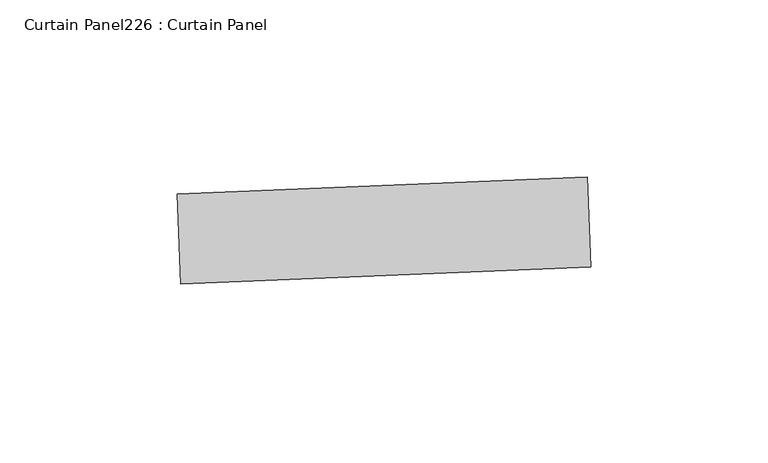
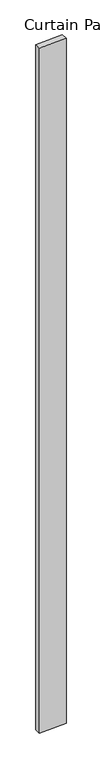
"""IFC4 building model written with IfcOpenShell, lengths in millimetres: plate geometry, Curtain Panel226 : Curtain Panel."""

import ifcopenshell
import ifcopenshell.guid

model = None  # the IFC model being written
_history = None  # IfcOwnerHistory: only IFC2X3 demands one
_inside = {}  # id of a spatial element -> (the spatial element, [elements in it])
_under = {}  # id of a project, library or spatial element -> (it, [spatial elements below it])
_declared = {}  # id of a project -> (the project, [libraries it declares])
_typed = {}  # id of a type object -> (the type object, [elements of that type])
_made_of = {}  # id of a material, layer set ... -> (it, [elements and type objects made of it])


def new_model(schema):
    """Start an empty IFC model of exactly this schema.

    Asked for "IFC4X3", IfcOpenShell would pick the latest addendum, in which some entities
    have other attributes; the version numbers below select the first issue.
    IFC2X3 requires an IfcOwnerHistory on every rooted entity: one is made here for all.
    """
    global model, _history
    if schema == "IFC4X3":
        model = ifcopenshell.file(schema_version=(4, 3, 0, 0))
    else:
        model = ifcopenshell.file(schema=schema)
    _inside.clear()
    _under.clear()
    _declared.clear()
    _typed.clear()
    _made_of.clear()
    _history = None
    if model.schema == "IFC2X3":
        org = make("IfcOrganization", Name="unknown")
        user = make(
            "IfcPersonAndOrganization",
            ThePerson=make("IfcPerson", FamilyName="unknown"),
            TheOrganization=org,
        )
        app = make(
            "IfcApplication",
            ApplicationDeveloper=org,
            Version="unknown",
            ApplicationFullName="unknown",
            ApplicationIdentifier="unknown",
        )
        _history = make(
            "IfcOwnerHistory",
            OwningUser=user,
            OwningApplication=app,
            ChangeAction="ADDED",
            CreationDate=0,
        )
    return model


def make(cls, **values):
    """One entity of the class cls with the attributes given. An attribute that is None is left unset."""
    return model.create_entity(
        cls, **{name: value for name, value in values.items() if value is not None}
    )


def rooted(cls, **values):
    """An entity with a GlobalId (a new one), such as an element, a storey or a relation."""
    return make(cls, GlobalId=ifcopenshell.guid.new(), OwnerHistory=_history, **values)


def si_unit(unit_type, name, prefix=None):
    """IfcSIUnit, for example si_unit("LENGTHUNIT", "METRE", prefix="MILLI")."""
    return make("IfcSIUnit", UnitType=unit_type, Prefix=prefix, Name=name)


def assignment(units):
    """IfcUnitAssignment: the units of a project."""
    return None if units is None else make("IfcUnitAssignment", Units=units)


def point(xyz):
    """IfcCartesianPoint."""
    return None if xyz is None else make("IfcCartesianPoint", Coordinates=xyz)


def direction(xyz):
    """IfcDirection."""
    return None if xyz is None else make("IfcDirection", DirectionRatios=xyz)


def frame(location, z_axis=None, x_axis=None):
    """IfcAxis2Placement3D, a coordinate frame: its origin and axes. An axis left out is left unset."""
    return make(
        "IfcAxis2Placement3D",
        Location=point(location),
        Axis=direction(z_axis),
        RefDirection=direction(x_axis),
    )


def origin():
    """The frame at (0, 0, 0) with its axes left unset."""
    return frame((0.0, 0.0, 0.0))


def place(relative_to, where):
    """IfcLocalPlacement: puts the frame where relative to a parent placement (None: the world)."""
    return make(
        "IfcLocalPlacement", PlacementRelTo=relative_to, RelativePlacement=where
    )


def context(
    kind, dimensions, precision=None, world=None, true_north=None, identifier=None
):
    """IfcGeometricRepresentationContext, for example the 3D "Model" context."""
    return make(
        "IfcGeometricRepresentationContext",
        ContextIdentifier=identifier,
        ContextType=kind,
        CoordinateSpaceDimension=dimensions,
        Precision=precision,
        WorldCoordinateSystem=world,
        TrueNorth=true_north,
    )


def project(units=None, contexts=None):
    """IfcProject with its units and contexts."""
    return rooted(
        "IfcProject",
        Name="project",
        RepresentationContexts=contexts,
        UnitsInContext=assignment(units),
    )


def spatial(cls, under=None, at=None, **own):
    """A site, building, storey or space (cls), placed at a placement, below another one or the project."""
    s = rooted(cls, ObjectPlacement=at, **own)
    if under is not None:
        _under.setdefault(under.id(), (under, []))[1].append(s)
    return s


def polyline(points):
    """IfcPolyline through the points."""
    return make("IfcPolyline", Points=[point(p) for p in points])


def outline(outer, holes=None, kind="AREA"):
    """IfcArbitraryClosedProfileDef: a profile drawn as a closed curve; with holes, ...WithVoids."""
    if holes is None:
        return make("IfcArbitraryClosedProfileDef", ProfileType=kind, OuterCurve=outer)
    return make(
        "IfcArbitraryProfileDefWithVoids",
        ProfileType=kind,
        OuterCurve=outer,
        InnerCurves=holes,
    )


def extrude(swept, where, along, depth):
    """IfcExtrudedAreaSolid: the profile swept, set in the frame where, extruded along a direction by depth."""
    return make(
        "IfcExtrudedAreaSolid",
        SweptArea=swept,
        Position=where,
        ExtrudedDirection=direction(along),
        Depth=depth,
    )


def shape(context_of_items, identifier, shape_type, items):
    """IfcShapeRepresentation: the items that make up one representation, for example the "Body"."""
    return make(
        "IfcShapeRepresentation",
        ContextOfItems=context_of_items,
        RepresentationIdentifier=identifier,
        RepresentationType=shape_type,
        Items=items,
    )


def source(mapping_origin, context_of_items, identifier, shape_type, items):
    """IfcRepresentationMap: a shape defined once, which mapped items show again and again."""
    return make(
        "IfcRepresentationMap",
        MappingOrigin=mapping_origin,
        MappedRepresentation=shape(context_of_items, identifier, shape_type, items),
    )


def transform(
    local_origin,
    x_axis=None,
    y_axis=None,
    z_axis=None,
    scale=None,
    scale2=None,
    scale3=None,
    uniform=True,
):
    """IfcCartesianTransformationOperator3D, or its non-uniform kind. x_axis, y_axis, z_axis: its Axis1, 2, 3."""
    if uniform:
        return make(
            "IfcCartesianTransformationOperator3D",
            Axis1=direction(x_axis),
            Axis2=direction(y_axis),
            LocalOrigin=point(local_origin),
            Scale=scale,
            Axis3=direction(z_axis),
        )
    return make(
        "IfcCartesianTransformationOperator3DnonUniform",
        Axis1=direction(x_axis),
        Axis2=direction(y_axis),
        LocalOrigin=point(local_origin),
        Scale=scale,
        Axis3=direction(z_axis),
        Scale2=scale2,
        Scale3=scale3,
    )


def mapped(mapping_source, mapping_target):
    """IfcMappedItem: shows the shape of a source again, moved by a transform."""
    return make(
        "IfcMappedItem", MappingSource=mapping_source, MappingTarget=mapping_target
    )


def made_of(thing, what):
    """Note that an element or type object is made of a material, layer set ...; save() writes the relation."""
    if what is not None:
        _made_of.setdefault(what.id(), (what, []))[1].append(thing)
    return thing


def element(
    cls,
    number,
    at=None,
    inside=None,
    cuts=None,
    type_object=None,
    material=None,
    context=None,
    identifier="Body",
    shape_type=None,
    held_by="IfcProductDefinitionShape",
    body=None,
    shapes=None,
    **own,
):
    """One element of the class cls, such as IfcWall. Its Tag is "e" and its number.

    at: its placement. inside: the storey or other place that contains it. cuts: it is an
    opening in that element (IfcRelVoidsElement). A single representation is given by context,
    identifier, shape_type and body (its items); several are given by shapes. held_by: the class
    of the entity that holds the representations. save() writes the other relations.
    """
    e = rooted(cls, Tag="e%d" % number, ObjectPlacement=at, **own)
    if body is not None:
        shapes = [shape(context, identifier, shape_type, body)]
    if shapes is not None:
        e.Representation = make(held_by, Representations=shapes)
    if inside is not None:
        _inside.setdefault(inside.id(), (inside, []))[1].append(e)
    if cuts is not None:
        rooted(
            "IfcRelVoidsElement", RelatingBuildingElement=cuts, RelatedOpeningElement=e
        )
    if type_object is not None:
        _typed.setdefault(type_object.id(), (type_object, []))[1].append(e)
    return made_of(e, material)


def aggregate(whole, parts):
    """IfcRelAggregates: a whole, such as a stair, and the parts it consists of."""
    return rooted("IfcRelAggregates", RelatingObject=whole, RelatedObjects=parts)


def save(model, path):
    """Write the relations noted so far, then the file.

    IfcRelAggregates (storeys below a building ...), IfcRelContainedInSpatialStructure (elements
    in a storey), IfcRelDefinesByType, IfcRelAssociatesMaterial and IfcRelDeclares: one each for
    every whole, place, type object, material and project.
    """
    for whole, parts in _under.values():
        aggregate(whole, parts)
    for where, things in _inside.values():
        rooted(
            "IfcRelContainedInSpatialStructure",
            RelatedElements=things,
            RelatingStructure=where,
        )
    for kind, things in _typed.values():
        rooted("IfcRelDefinesByType", RelatedObjects=things, RelatingType=kind)
    for what, things in _made_of.values():
        rooted("IfcRelAssociatesMaterial", RelatedObjects=things, RelatingMaterial=what)
    for by, libraries in _declared.values():
        rooted("IfcRelDeclares", RelatingContext=by, RelatedDefinitions=libraries)
    model.write(path)


def curtain_panel226_curtain_panel_7f47af82(model_context):
    return source(origin(), model_context, "Body", "SweptSolid", [
        extrude(outline(polyline([(633259.2977338, 2276.8687815), (633374.9908398, 2281.7506838), (633376.0616907, 2256.3732671), (633260.3685847, 2251.4913648), (633259.2977338, 2276.8687815)])), frame((0.0, 0.0, 4959.7989371), z_axis=(0.0, 0.0, 1.0), x_axis=(1.0, 0.0, 0.0)), (0.0, 0.0, 1.0), 3048.0),
    ])


if __name__ == "__main__":
    model = new_model("IFC4")
    model_context = context("Model", 3, world=origin())
    ifc_project = project(units=[si_unit("LENGTHUNIT", "METRE", prefix="MILLI")], contexts=[model_context])
    site = spatial("IfcSite", under=ifc_project)
    building = spatial("IfcBuilding", under=site)
    placement = place(None, origin())
    curtain_panel226_curtain_panel_shape = curtain_panel226_curtain_panel_7f47af82(model_context)
    element("IfcPlate", 1, ObjectType="Curtain Panel226 : Curtain Panel", at=placement, inside=building, context=model_context, shape_type="MappedRepresentation", body=[
        mapped(curtain_panel226_curtain_panel_shape, transform((0.0, 0.0, 0.0), x_axis=(1.0, 0.0, 0.0), y_axis=(0.0, 1.0, 0.0), z_axis=(0.0, 0.0, 1.0))),
    ])
    save(model, "model.ifc")
